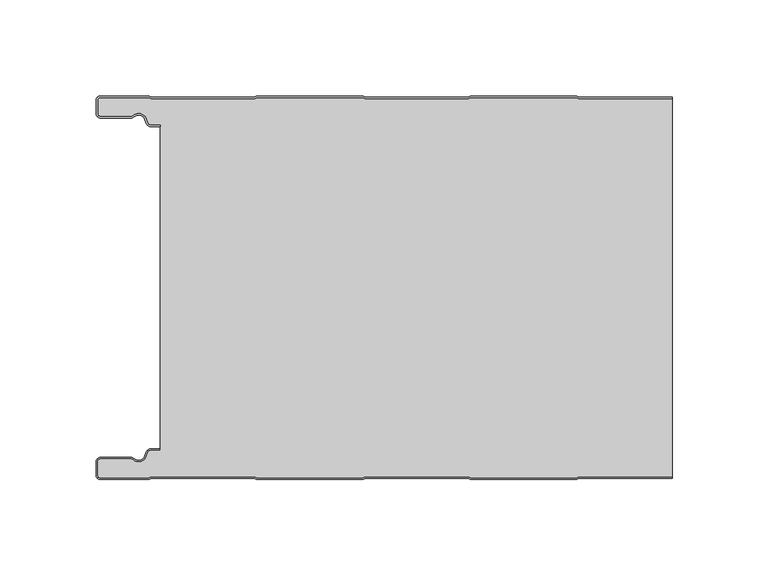
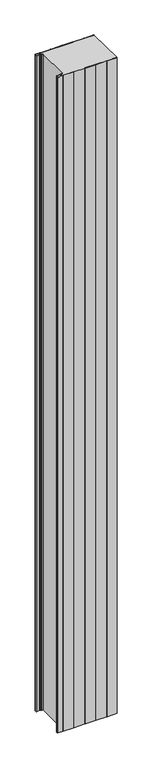
"""IFC4 building model written with IfcOpenShell, lengths in millimetres: plate geometry."""

import ifcopenshell
import ifcopenshell.guid

model = None  # the IFC model being written
_history = None  # IfcOwnerHistory: only IFC2X3 demands one
_inside = {}  # id of a spatial element -> (the spatial element, [elements in it])
_under = {}  # id of a project, library or spatial element -> (it, [spatial elements below it])
_declared = {}  # id of a project -> (the project, [libraries it declares])
_typed = {}  # id of a type object -> (the type object, [elements of that type])
_made_of = {}  # id of a material, layer set ... -> (it, [elements and type objects made of it])


def new_model(schema):
    """Start an empty IFC model of exactly this schema.

    Asked for "IFC4X3", IfcOpenShell would pick the latest addendum, in which some entities
    have other attributes; the version numbers below select the first issue.
    IFC2X3 requires an IfcOwnerHistory on every rooted entity: one is made here for all.
    """
    global model, _history
    if schema == "IFC4X3":
        model = ifcopenshell.file(schema_version=(4, 3, 0, 0))
    else:
        model = ifcopenshell.file(schema=schema)
    _inside.clear()
    _under.clear()
    _declared.clear()
    _typed.clear()
    _made_of.clear()
    _history = None
    if model.schema == "IFC2X3":
        org = make("IfcOrganization", Name="unknown")
        user = make(
            "IfcPersonAndOrganization",
            ThePerson=make("IfcPerson", FamilyName="unknown"),
            TheOrganization=org,
        )
        app = make(
            "IfcApplication",
            ApplicationDeveloper=org,
            Version="unknown",
            ApplicationFullName="unknown",
            ApplicationIdentifier="unknown",
        )
        _history = make(
            "IfcOwnerHistory",
            OwningUser=user,
            OwningApplication=app,
            ChangeAction="ADDED",
            CreationDate=0,
        )
    return model


def make(cls, **values):
    """One entity of the class cls with the attributes given. An attribute that is None is left unset."""
    return model.create_entity(
        cls, **{name: value for name, value in values.items() if value is not None}
    )


def rooted(cls, **values):
    """An entity with a GlobalId (a new one), such as an element, a storey or a relation."""
    return make(cls, GlobalId=ifcopenshell.guid.new(), OwnerHistory=_history, **values)


def si_unit(unit_type, name, prefix=None):
    """IfcSIUnit, for example si_unit("LENGTHUNIT", "METRE", prefix="MILLI")."""
    return make("IfcSIUnit", UnitType=unit_type, Prefix=prefix, Name=name)


def assignment(units):
    """IfcUnitAssignment: the units of a project."""
    return None if units is None else make("IfcUnitAssignment", Units=units)


def point(xyz):
    """IfcCartesianPoint."""
    return None if xyz is None else make("IfcCartesianPoint", Coordinates=xyz)


def direction(xyz):
    """IfcDirection."""
    return None if xyz is None else make("IfcDirection", DirectionRatios=xyz)


def frame(location, z_axis=None, x_axis=None):
    """IfcAxis2Placement3D, a coordinate frame: its origin and axes. An axis left out is left unset."""
    return make(
        "IfcAxis2Placement3D",
        Location=point(location),
        Axis=direction(z_axis),
        RefDirection=direction(x_axis),
    )


def frame_2d(location, x_axis=None):
    """IfcAxis2Placement2D, a coordinate frame in the plane: its origin and x axis."""
    return make(
        "IfcAxis2Placement2D", Location=point(location), RefDirection=direction(x_axis)
    )


def origin():
    """The frame at (0, 0, 0) with its axes left unset."""
    return frame((0.0, 0.0, 0.0))


def origin_with_axes():
    """The frame at (0, 0, 0) with the z axis (0, 0, 1) and the x axis (1, 0, 0) written out."""
    return frame((0.0, 0.0, 0.0), z_axis=(0.0, 0.0, 1.0), x_axis=(1.0, 0.0, 0.0))


def place(relative_to, where):
    """IfcLocalPlacement: puts the frame where relative to a parent placement (None: the world)."""
    return make(
        "IfcLocalPlacement", PlacementRelTo=relative_to, RelativePlacement=where
    )


def context(
    kind, dimensions, precision=None, world=None, true_north=None, identifier=None
):
    """IfcGeometricRepresentationContext, for example the 3D "Model" context."""
    return make(
        "IfcGeometricRepresentationContext",
        ContextIdentifier=identifier,
        ContextType=kind,
        CoordinateSpaceDimension=dimensions,
        Precision=precision,
        WorldCoordinateSystem=world,
        TrueNorth=true_north,
    )


def project(units=None, contexts=None):
    """IfcProject with its units and contexts."""
    return rooted(
        "IfcProject",
        Name="project",
        RepresentationContexts=contexts,
        UnitsInContext=assignment(units),
    )


def spatial(cls, under=None, at=None, **own):
    """A site, building, storey or space (cls), placed at a placement, below another one or the project."""
    s = rooted(cls, ObjectPlacement=at, **own)
    if under is not None:
        _under.setdefault(under.id(), (under, []))[1].append(s)
    return s


def polyline(points):
    """IfcPolyline through the points."""
    return make("IfcPolyline", Points=[point(p) for p in points])


def circle_curve(where, radius):
    """IfcCircle in the frame where."""
    return make("IfcCircle", Position=where, Radius=radius)


def trimmed(basis, trim1, trim2, sense, master):
    """IfcTrimmedCurve: the piece of a basis curve between two trims."""
    return make(
        "IfcTrimmedCurve",
        BasisCurve=basis,
        Trim1=trim1,
        Trim2=trim2,
        SenseAgreement=sense,
        MasterRepresentation=master,
    )


def segment(curve, same_sense, transition):
    """IfcCompositeCurveSegment."""
    return make(
        "IfcCompositeCurveSegment",
        Transition=transition,
        SameSense=same_sense,
        ParentCurve=curve,
    )


def composite_curve(segments, self_intersect=None):
    """IfcCompositeCurve: segments joined end to end."""
    return make("IfcCompositeCurve", Segments=segments, SelfIntersect=self_intersect)


def outline(outer, holes=None, kind="AREA"):
    """IfcArbitraryClosedProfileDef: a profile drawn as a closed curve; with holes, ...WithVoids."""
    if holes is None:
        return make("IfcArbitraryClosedProfileDef", ProfileType=kind, OuterCurve=outer)
    return make(
        "IfcArbitraryProfileDefWithVoids",
        ProfileType=kind,
        OuterCurve=outer,
        InnerCurves=holes,
    )


def extrude(swept, where, along, depth):
    """IfcExtrudedAreaSolid: the profile swept, set in the frame where, extruded along a direction by depth."""
    return make(
        "IfcExtrudedAreaSolid",
        SweptArea=swept,
        Position=where,
        ExtrudedDirection=direction(along),
        Depth=depth,
    )


def shape(context_of_items, identifier, shape_type, items):
    """IfcShapeRepresentation: the items that make up one representation, for example the "Body"."""
    return make(
        "IfcShapeRepresentation",
        ContextOfItems=context_of_items,
        RepresentationIdentifier=identifier,
        RepresentationType=shape_type,
        Items=items,
    )


def source(mapping_origin, context_of_items, identifier, shape_type, items):
    """IfcRepresentationMap: a shape defined once, which mapped items show again and again."""
    return make(
        "IfcRepresentationMap",
        MappingOrigin=mapping_origin,
        MappedRepresentation=shape(context_of_items, identifier, shape_type, items),
    )


def transform(
    local_origin,
    x_axis=None,
    y_axis=None,
    z_axis=None,
    scale=None,
    scale2=None,
    scale3=None,
    uniform=True,
):
    """IfcCartesianTransformationOperator3D, or its non-uniform kind. x_axis, y_axis, z_axis: its Axis1, 2, 3."""
    if uniform:
        return make(
            "IfcCartesianTransformationOperator3D",
            Axis1=direction(x_axis),
            Axis2=direction(y_axis),
            LocalOrigin=point(local_origin),
            Scale=scale,
            Axis3=direction(z_axis),
        )
    return make(
        "IfcCartesianTransformationOperator3DnonUniform",
        Axis1=direction(x_axis),
        Axis2=direction(y_axis),
        LocalOrigin=point(local_origin),
        Scale=scale,
        Axis3=direction(z_axis),
        Scale2=scale2,
        Scale3=scale3,
    )


def mapped(mapping_source, mapping_target):
    """IfcMappedItem: shows the shape of a source again, moved by a transform."""
    return make(
        "IfcMappedItem", MappingSource=mapping_source, MappingTarget=mapping_target
    )


def made_of(thing, what):
    """Note that an element or type object is made of a material, layer set ...; save() writes the relation."""
    if what is not None:
        _made_of.setdefault(what.id(), (what, []))[1].append(thing)
    return thing


def element(
    cls,
    number,
    at=None,
    inside=None,
    cuts=None,
    type_object=None,
    material=None,
    context=None,
    identifier="Body",
    shape_type=None,
    held_by="IfcProductDefinitionShape",
    body=None,
    shapes=None,
    **own,
):
    """One element of the class cls, such as IfcWall. Its Tag is "e" and its number.

    at: its placement. inside: the storey or other place that contains it. cuts: it is an
    opening in that element (IfcRelVoidsElement). A single representation is given by context,
    identifier, shape_type and body (its items); several are given by shapes. held_by: the class
    of the entity that holds the representations. save() writes the other relations.
    """
    e = rooted(cls, Tag="e%d" % number, ObjectPlacement=at, **own)
    if body is not None:
        shapes = [shape(context, identifier, shape_type, body)]
    if shapes is not None:
        e.Representation = make(held_by, Representations=shapes)
    if inside is not None:
        _inside.setdefault(inside.id(), (inside, []))[1].append(e)
    if cuts is not None:
        rooted(
            "IfcRelVoidsElement", RelatingBuildingElement=cuts, RelatedOpeningElement=e
        )
    if type_object is not None:
        _typed.setdefault(type_object.id(), (type_object, []))[1].append(e)
    return made_of(e, material)


def aggregate(whole, parts):
    """IfcRelAggregates: a whole, such as a stair, and the parts it consists of."""
    return rooted("IfcRelAggregates", RelatingObject=whole, RelatedObjects=parts)


def save(model, path):
    """Write the relations noted so far, then the file.

    IfcRelAggregates (storeys below a building ...), IfcRelContainedInSpatialStructure (elements
    in a storey), IfcRelDefinesByType, IfcRelAssociatesMaterial and IfcRelDeclares: one each for
    every whole, place, type object, material and project.
    """
    for whole, parts in _under.values():
        aggregate(whole, parts)
    for where, things in _inside.values():
        rooted(
            "IfcRelContainedInSpatialStructure",
            RelatedElements=things,
            RelatingStructure=where,
        )
    for kind, things in _typed.values():
        rooted("IfcRelDefinesByType", RelatedObjects=things, RelatingType=kind)
    for what, things in _made_of.values():
        rooted("IfcRelAssociatesMaterial", RelatedObjects=things, RelatingMaterial=what)
    for by, libraries in _declared.values():
        rooted("IfcRelDeclares", RelatingContext=by, RelatedDefinitions=libraries)
    model.write(path)


def plate_6adf54ea(model_context):
    return source(origin(), model_context, "Body", "SweptSolid", [
        extrude(outline(composite_curve([segment(trimmed(circle_curve(frame_2d((-147.49499, -9.0180361)), 2.50501), [point((-147.49499, -11.5230461))], [point((-150.0, -9.0180361))], False, "CARTESIAN"), True, "CONTINUOUS"), segment(polyline([(-150.0, -9.0180361), (-150.0, -2.50501)]), True, "CONTINUOUS"), segment(trimmed(circle_curve(frame_2d((-147.49499, -2.50501)), 2.50501), [point((-150.0, -2.50501))], [point((-147.49499, 0.0))], False, "CARTESIAN"), True, "CONTINUOUS"), segment(polyline([(-147.49499, 0.0), (-122.2103007, 0.0), (-121.028188, -0.6012024), (-67.6391467, -0.6012024), (-66.457034, 0.0), (-10.8776353, 0.0), (-9.6955227, -0.6012024), (43.6935186, -0.6012024), (44.8756313, 0.0), (100.45503, 0.0), (101.6371427, -0.6012024), (150.0, -0.6012024), (150.0, -1.4012024), (101.4453963, -1.4012024), (100.2632836, -0.8), (45.0673777, -0.8), (43.885265, -1.4012024), (-9.887269, -1.4012024), (-11.0693817, -0.8), (-66.2652876, -0.8), (-67.4474003, -1.4012024), (-121.2199344, -1.4012024), (-122.4020471, -0.8), (-147.49499, -0.8)]), True, "CONTINUOUS"), segment(trimmed(circle_curve(frame_2d((-147.49499, -2.50501)), 1.70501), [point((-147.49499, -0.8))], [point((-149.2, -2.50501))], True, "CARTESIAN"), True, "CONTINUOUS"), segment(polyline([(-149.2, -2.50501), (-149.2, -9.0180361)]), True, "CONTINUOUS"), segment(trimmed(circle_curve(frame_2d((-147.49499, -9.0180361)), 1.70501), [point((-149.2, -9.0180361))], [point((-147.49499, -10.7230461))], True, "CARTESIAN"), True, "CONTINUOUS"), segment(polyline([(-147.49499, -10.7230461), (-131.8173283, -10.7230461)]), True, "CONTINUOUS"), segment(trimmed(circle_curve(frame_2d((-131.8173283, -9.0180361)), 1.70501), [point((-131.8173283, -10.7230461))], [point((-130.6895701, -10.2967936))], True, "CARTESIAN"), True, "CONTINUOUS"), segment(trimmed(circle_curve(frame_2d((-127.8407481, -13.5270541)), 4.307014), [point((-130.6895701, -10.2967936))], [point((-123.7934788, -12.0539686))], False, "CARTESIAN"), True, "CONTINUOUS"), segment(polyline([(-123.7934788, -12.0539686), (-123.0450711, -14.1102019)]), True, "CONTINUOUS"), segment(trimmed(circle_curve(frame_2d((-121.4428858, -13.5270541)), 1.70501), [point((-123.0450711, -14.1102019))], [point((-121.4428858, -15.2320641))], True, "CARTESIAN"), True, "CONTINUOUS"), segment(polyline([(-121.4428858, -15.2320641), (-116.4328657, -15.2320641), (-116.4328657, -16.0320641), (-121.4428858, -16.0320641)]), True, "CONTINUOUS"), segment(trimmed(circle_curve(frame_2d((-121.4428858, -13.5270541)), 2.50501), [point((-121.4428858, -16.0320641))], [point((-123.7968252, -14.383818))], False, "CARTESIAN"), True, "CONTINUOUS"), segment(polyline([(-123.7968252, -14.383818), (-124.5452329, -12.3275847)]), True, "CONTINUOUS"), segment(trimmed(circle_curve(frame_2d((-127.8407481, -13.5270541)), 3.507014), [point((-124.5452329, -12.3275847))], [point((-130.1604199, -10.8967936))], True, "CARTESIAN"), True, "CONTINUOUS"), segment(trimmed(circle_curve(frame_2d((-131.8173283, -9.0180361)), 2.50501), [point((-130.1604199, -10.8967936))], [point((-131.8173283, -11.5230461))], False, "CARTESIAN"), True, "CONTINUOUS"), segment(polyline([(-131.8173283, -11.5230461), (-147.49499, -11.5230461)]), True, "CONTINUOUS")], self_intersect=False)), origin_with_axes(), (0.0, 0.0, 1.0), 3500.0),
        extrude(outline(composite_curve([segment(trimmed(circle_curve(frame_2d((-121.4428858, -13.5270541)), 1.70501), [point((-121.4428858, -15.2320641))], [point((-123.0450711, -14.1102019))], False, "CARTESIAN"), True, "CONTINUOUS"), segment(polyline([(-123.0450711, -14.1102019), (-123.7934788, -12.0539686)]), True, "CONTINUOUS"), segment(trimmed(circle_curve(frame_2d((-127.8407481, -13.5270541)), 4.307014), [point((-123.7934788, -12.0539686))], [point((-130.6895701, -10.2967936))], True, "CARTESIAN"), True, "CONTINUOUS"), segment(trimmed(circle_curve(frame_2d((-131.8173283, -9.0180361)), 1.70501), [point((-130.6895701, -10.2967936))], [point((-131.8173283, -10.7230461))], False, "CARTESIAN"), True, "CONTINUOUS"), segment(polyline([(-131.8173283, -10.7230461), (-147.49499, -10.7230461)]), True, "CONTINUOUS"), segment(trimmed(circle_curve(frame_2d((-147.49499, -9.0180361)), 1.70501), [point((-147.49499, -10.7230461))], [point((-149.2, -9.0180361))], False, "CARTESIAN"), True, "CONTINUOUS"), segment(polyline([(-149.2, -9.0180361), (-149.2, -2.50501)]), True, "CONTINUOUS"), segment(trimmed(circle_curve(frame_2d((-147.49499, -2.50501)), 1.70501), [point((-149.2, -2.50501))], [point((-147.49499, -0.8))], False, "CARTESIAN"), True, "CONTINUOUS"), segment(polyline([(-147.49499, -0.8), (-122.4020471, -0.8), (-121.2199344, -1.4012024), (-67.4474003, -1.4012024), (-66.2652876, -0.8), (-11.0693817, -0.8), (-9.887269, -1.4012024), (43.885265, -1.4012024), (45.0673777, -0.8), (100.2632836, -0.8), (101.4453963, -1.4012024), (150.0, -1.4012024), (150.0, -198.5987976), (101.4453963, -198.5987976), (100.2632836, -199.2), (45.0673777, -199.2), (43.885265, -198.5987976), (-9.887269, -198.5987976), (-11.0693817, -199.2), (-66.2652876, -199.2), (-67.4474003, -198.5987976), (-121.2199344, -198.5987976), (-122.4020471, -199.2), (-147.49499, -199.2)]), True, "CONTINUOUS"), segment(trimmed(circle_curve(frame_2d((-147.49499, -197.49499)), 1.70501), [point((-147.49499, -199.2))], [point((-149.2, -197.49499))], False, "CARTESIAN"), True, "CONTINUOUS"), segment(polyline([(-149.2, -197.49499), (-149.2, -190.9819639)]), True, "CONTINUOUS"), segment(trimmed(circle_curve(frame_2d((-147.49499, -190.9819639)), 1.70501), [point((-149.2, -190.9819639))], [point((-147.49499, -189.2769539))], False, "CARTESIAN"), True, "CONTINUOUS"), segment(polyline([(-147.49499, -189.2769539), (-131.8173283, -189.2769539)]), True, "CONTINUOUS"), segment(trimmed(circle_curve(frame_2d((-131.8173283, -190.9819639)), 1.70501), [point((-131.8173283, -189.2769539))], [point((-130.6895701, -189.7032064))], False, "CARTESIAN"), True, "CONTINUOUS"), segment(trimmed(circle_curve(frame_2d((-127.8407481, -186.4729459)), 4.307014), [point((-130.6895701, -189.7032064))], [point((-123.7934788, -187.9460314))], True, "CARTESIAN"), True, "CONTINUOUS"), segment(polyline([(-123.7934788, -187.9460314), (-123.0450711, -185.8897981)]), True, "CONTINUOUS"), segment(trimmed(circle_curve(frame_2d((-121.4428858, -186.4729459)), 1.70501), [point((-123.0450711, -185.8897981))], [point((-121.4428858, -184.7679359))], False, "CARTESIAN"), True, "CONTINUOUS"), segment(polyline([(-121.4428858, -184.7679359), (-116.4328657, -184.7679359), (-116.4328657, -15.2320641), (-121.4428858, -15.2320641)]), True, "CONTINUOUS")], self_intersect=False)), origin_with_axes(), (0.0, 0.0, 1.0), 3500.0),
        extrude(outline(composite_curve([segment(polyline([(-147.49499, -188.4769539), (-131.8173283, -188.4769539)]), True, "CONTINUOUS"), segment(trimmed(circle_curve(frame_2d((-131.8173283, -190.9819639)), 2.50501), [point((-131.8173283, -188.4769539))], [point((-130.1604199, -189.1032064))], False, "CARTESIAN"), True, "CONTINUOUS"), segment(trimmed(circle_curve(frame_2d((-127.8407481, -186.4729459)), 3.507014), [point((-130.1604199, -189.1032064))], [point((-124.5452329, -187.6724153))], True, "CARTESIAN"), True, "CONTINUOUS"), segment(polyline([(-124.5452329, -187.6724153), (-123.7968252, -185.616182)]), True, "CONTINUOUS"), segment(trimmed(circle_curve(frame_2d((-121.4428858, -186.4729459)), 2.50501), [point((-123.7968252, -185.616182))], [point((-121.4428858, -183.9679359))], False, "CARTESIAN"), True, "CONTINUOUS"), segment(polyline([(-121.4428858, -183.9679359), (-116.4328657, -183.9679359), (-116.4328657, -184.7679359), (-121.4428858, -184.7679359)]), True, "CONTINUOUS"), segment(trimmed(circle_curve(frame_2d((-121.4428858, -186.4729459)), 1.70501), [point((-121.4428858, -184.7679359))], [point((-123.0450711, -185.8897981))], True, "CARTESIAN"), True, "CONTINUOUS"), segment(polyline([(-123.0450711, -185.8897981), (-123.7934788, -187.9460314)]), True, "CONTINUOUS"), segment(trimmed(circle_curve(frame_2d((-127.8407481, -186.4729459)), 4.307014), [point((-123.7934788, -187.9460314))], [point((-130.6895701, -189.7032064))], False, "CARTESIAN"), True, "CONTINUOUS"), segment(trimmed(circle_curve(frame_2d((-131.8173283, -190.9819639)), 1.70501), [point((-130.6895701, -189.7032064))], [point((-131.8173283, -189.2769539))], True, "CARTESIAN"), True, "CONTINUOUS"), segment(polyline([(-131.8173283, -189.2769539), (-147.49499, -189.2769539)]), True, "CONTINUOUS"), segment(trimmed(circle_curve(frame_2d((-147.49499, -190.9819639)), 1.70501), [point((-147.49499, -189.2769539))], [point((-149.2, -190.9819639))], True, "CARTESIAN"), True, "CONTINUOUS"), segment(polyline([(-149.2, -190.9819639), (-149.2, -197.49499)]), True, "CONTINUOUS"), segment(trimmed(circle_curve(frame_2d((-147.49499, -197.49499)), 1.70501), [point((-149.2, -197.49499))], [point((-147.49499, -199.2))], True, "CARTESIAN"), True, "CONTINUOUS"), segment(polyline([(-147.49499, -199.2), (-122.4020471, -199.2), (-121.2199344, -198.5987976), (-67.4474003, -198.5987976), (-66.2652876, -199.2), (-11.0693817, -199.2), (-9.887269, -198.5987976), (43.885265, -198.5987976), (45.0673777, -199.2), (100.2632836, -199.2), (101.4453963, -198.5987976), (150.0, -198.5987976), (150.0, -199.3987976), (101.6371427, -199.3987976), (100.45503, -200.0), (44.8756313, -200.0), (43.6935186, -199.3987976), (-9.6955227, -199.3987976), (-10.8776353, -200.0), (-66.457034, -200.0), (-67.6391467, -199.3987976), (-121.028188, -199.3987976), (-122.2103007, -200.0), (-147.49499, -200.0)]), True, "CONTINUOUS"), segment(trimmed(circle_curve(frame_2d((-147.49499, -197.49499)), 2.50501), [point((-147.49499, -200.0))], [point((-150.0, -197.49499))], False, "CARTESIAN"), True, "CONTINUOUS"), segment(polyline([(-150.0, -197.49499), (-150.0, -190.9819639)]), True, "CONTINUOUS"), segment(trimmed(circle_curve(frame_2d((-147.49499, -190.9819639)), 2.50501), [point((-150.0, -190.9819639))], [point((-147.49499, -188.4769539))], False, "CARTESIAN"), True, "CONTINUOUS")], self_intersect=False)), origin_with_axes(), (0.0, 0.0, 1.0), 3500.0),
    ])


if __name__ == "__main__":
    model = new_model("IFC4")
    model_context = context("Model", 3, world=origin())
    ifc_project = project(units=[si_unit("LENGTHUNIT", "METRE", prefix="MILLI")], contexts=[model_context])
    site = spatial("IfcSite", under=ifc_project)
    building = spatial("IfcBuilding", under=site)
    placement = place(None, origin())
    plate_shape = plate_6adf54ea(model_context)
    element("IfcPlate", 1, at=placement, inside=building, context=model_context, shape_type="MappedRepresentation", body=[
        mapped(plate_shape, transform((0.0, 0.0, 0.0), x_axis=(1.0, 0.0, 0.0), y_axis=(0.0, 1.0, 0.0), z_axis=(0.0, 0.0, 1.0))),
    ])
    save(model, "model.ifc")
